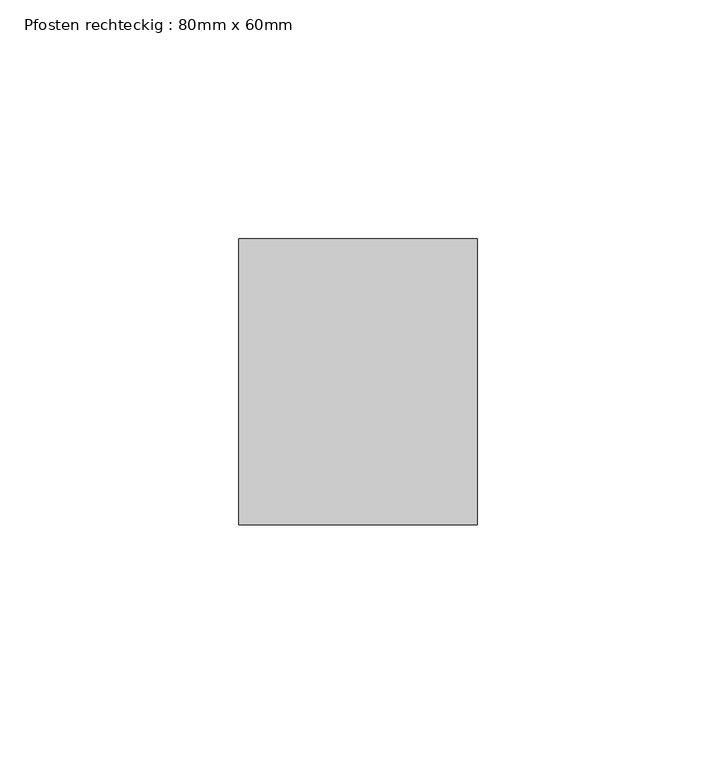
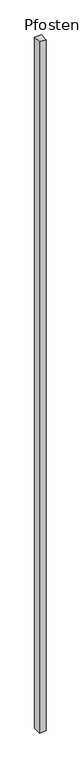
"""IFC4 building model written with IfcOpenShell, lengths in millimetres: member geometry, Pfosten rechteckig : 80mm x 60mm."""

import ifcopenshell
import ifcopenshell.guid

model = None  # the IFC model being written
_history = None  # IfcOwnerHistory: only IFC2X3 demands one
_inside = {}  # id of a spatial element -> (the spatial element, [elements in it])
_under = {}  # id of a project, library or spatial element -> (it, [spatial elements below it])
_declared = {}  # id of a project -> (the project, [libraries it declares])
_typed = {}  # id of a type object -> (the type object, [elements of that type])
_made_of = {}  # id of a material, layer set ... -> (it, [elements and type objects made of it])


def new_model(schema):
    """Start an empty IFC model of exactly this schema.

    Asked for "IFC4X3", IfcOpenShell would pick the latest addendum, in which some entities
    have other attributes; the version numbers below select the first issue.
    IFC2X3 requires an IfcOwnerHistory on every rooted entity: one is made here for all.
    """
    global model, _history
    if schema == "IFC4X3":
        model = ifcopenshell.file(schema_version=(4, 3, 0, 0))
    else:
        model = ifcopenshell.file(schema=schema)
    _inside.clear()
    _under.clear()
    _declared.clear()
    _typed.clear()
    _made_of.clear()
    _history = None
    if model.schema == "IFC2X3":
        org = make("IfcOrganization", Name="unknown")
        user = make(
            "IfcPersonAndOrganization",
            ThePerson=make("IfcPerson", FamilyName="unknown"),
            TheOrganization=org,
        )
        app = make(
            "IfcApplication",
            ApplicationDeveloper=org,
            Version="unknown",
            ApplicationFullName="unknown",
            ApplicationIdentifier="unknown",
        )
        _history = make(
            "IfcOwnerHistory",
            OwningUser=user,
            OwningApplication=app,
            ChangeAction="ADDED",
            CreationDate=0,
        )
    return model


def make(cls, **values):
    """One entity of the class cls with the attributes given. An attribute that is None is left unset."""
    return model.create_entity(
        cls, **{name: value for name, value in values.items() if value is not None}
    )


def rooted(cls, **values):
    """An entity with a GlobalId (a new one), such as an element, a storey or a relation."""
    return make(cls, GlobalId=ifcopenshell.guid.new(), OwnerHistory=_history, **values)


def si_unit(unit_type, name, prefix=None):
    """IfcSIUnit, for example si_unit("LENGTHUNIT", "METRE", prefix="MILLI")."""
    return make("IfcSIUnit", UnitType=unit_type, Prefix=prefix, Name=name)


def assignment(units):
    """IfcUnitAssignment: the units of a project."""
    return None if units is None else make("IfcUnitAssignment", Units=units)


def point(xyz):
    """IfcCartesianPoint."""
    return None if xyz is None else make("IfcCartesianPoint", Coordinates=xyz)


def direction(xyz):
    """IfcDirection."""
    return None if xyz is None else make("IfcDirection", DirectionRatios=xyz)


def frame(location, z_axis=None, x_axis=None):
    """IfcAxis2Placement3D, a coordinate frame: its origin and axes. An axis left out is left unset."""
    return make(
        "IfcAxis2Placement3D",
        Location=point(location),
        Axis=direction(z_axis),
        RefDirection=direction(x_axis),
    )


def origin():
    """The frame at (0, 0, 0) with its axes left unset."""
    return frame((0.0, 0.0, 0.0))


def place(relative_to, where):
    """IfcLocalPlacement: puts the frame where relative to a parent placement (None: the world)."""
    return make(
        "IfcLocalPlacement", PlacementRelTo=relative_to, RelativePlacement=where
    )


def context(
    kind, dimensions, precision=None, world=None, true_north=None, identifier=None
):
    """IfcGeometricRepresentationContext, for example the 3D "Model" context."""
    return make(
        "IfcGeometricRepresentationContext",
        ContextIdentifier=identifier,
        ContextType=kind,
        CoordinateSpaceDimension=dimensions,
        Precision=precision,
        WorldCoordinateSystem=world,
        TrueNorth=true_north,
    )


def project(units=None, contexts=None):
    """IfcProject with its units and contexts."""
    return rooted(
        "IfcProject",
        Name="project",
        RepresentationContexts=contexts,
        UnitsInContext=assignment(units),
    )


def spatial(cls, under=None, at=None, **own):
    """A site, building, storey or space (cls), placed at a placement, below another one or the project."""
    s = rooted(cls, ObjectPlacement=at, **own)
    if under is not None:
        _under.setdefault(under.id(), (under, []))[1].append(s)
    return s


def polyline(points):
    """IfcPolyline through the points."""
    return make("IfcPolyline", Points=[point(p) for p in points])


def outline(outer, holes=None, kind="AREA"):
    """IfcArbitraryClosedProfileDef: a profile drawn as a closed curve; with holes, ...WithVoids."""
    if holes is None:
        return make("IfcArbitraryClosedProfileDef", ProfileType=kind, OuterCurve=outer)
    return make(
        "IfcArbitraryProfileDefWithVoids",
        ProfileType=kind,
        OuterCurve=outer,
        InnerCurves=holes,
    )


def extrude(swept, where, along, depth):
    """IfcExtrudedAreaSolid: the profile swept, set in the frame where, extruded along a direction by depth."""
    return make(
        "IfcExtrudedAreaSolid",
        SweptArea=swept,
        Position=where,
        ExtrudedDirection=direction(along),
        Depth=depth,
    )


def shape(context_of_items, identifier, shape_type, items):
    """IfcShapeRepresentation: the items that make up one representation, for example the "Body"."""
    return make(
        "IfcShapeRepresentation",
        ContextOfItems=context_of_items,
        RepresentationIdentifier=identifier,
        RepresentationType=shape_type,
        Items=items,
    )


def source(mapping_origin, context_of_items, identifier, shape_type, items):
    """IfcRepresentationMap: a shape defined once, which mapped items show again and again."""
    return make(
        "IfcRepresentationMap",
        MappingOrigin=mapping_origin,
        MappedRepresentation=shape(context_of_items, identifier, shape_type, items),
    )


def transform(
    local_origin,
    x_axis=None,
    y_axis=None,
    z_axis=None,
    scale=None,
    scale2=None,
    scale3=None,
    uniform=True,
):
    """IfcCartesianTransformationOperator3D, or its non-uniform kind. x_axis, y_axis, z_axis: its Axis1, 2, 3."""
    if uniform:
        return make(
            "IfcCartesianTransformationOperator3D",
            Axis1=direction(x_axis),
            Axis2=direction(y_axis),
            LocalOrigin=point(local_origin),
            Scale=scale,
            Axis3=direction(z_axis),
        )
    return make(
        "IfcCartesianTransformationOperator3DnonUniform",
        Axis1=direction(x_axis),
        Axis2=direction(y_axis),
        LocalOrigin=point(local_origin),
        Scale=scale,
        Axis3=direction(z_axis),
        Scale2=scale2,
        Scale3=scale3,
    )


def mapped(mapping_source, mapping_target):
    """IfcMappedItem: shows the shape of a source again, moved by a transform."""
    return make(
        "IfcMappedItem", MappingSource=mapping_source, MappingTarget=mapping_target
    )


def made_of(thing, what):
    """Note that an element or type object is made of a material, layer set ...; save() writes the relation."""
    if what is not None:
        _made_of.setdefault(what.id(), (what, []))[1].append(thing)
    return thing


def element(
    cls,
    number,
    at=None,
    inside=None,
    cuts=None,
    type_object=None,
    material=None,
    context=None,
    identifier="Body",
    shape_type=None,
    held_by="IfcProductDefinitionShape",
    body=None,
    shapes=None,
    **own,
):
    """One element of the class cls, such as IfcWall. Its Tag is "e" and its number.

    at: its placement. inside: the storey or other place that contains it. cuts: it is an
    opening in that element (IfcRelVoidsElement). A single representation is given by context,
    identifier, shape_type and body (its items); several are given by shapes. held_by: the class
    of the entity that holds the representations. save() writes the other relations.
    """
    e = rooted(cls, Tag="e%d" % number, ObjectPlacement=at, **own)
    if body is not None:
        shapes = [shape(context, identifier, shape_type, body)]
    if shapes is not None:
        e.Representation = make(held_by, Representations=shapes)
    if inside is not None:
        _inside.setdefault(inside.id(), (inside, []))[1].append(e)
    if cuts is not None:
        rooted(
            "IfcRelVoidsElement", RelatingBuildingElement=cuts, RelatedOpeningElement=e
        )
    if type_object is not None:
        _typed.setdefault(type_object.id(), (type_object, []))[1].append(e)
    return made_of(e, material)


def aggregate(whole, parts):
    """IfcRelAggregates: a whole, such as a stair, and the parts it consists of."""
    return rooted("IfcRelAggregates", RelatingObject=whole, RelatedObjects=parts)


def save(model, path):
    """Write the relations noted so far, then the file.

    IfcRelAggregates (storeys below a building ...), IfcRelContainedInSpatialStructure (elements
    in a storey), IfcRelDefinesByType, IfcRelAssociatesMaterial and IfcRelDeclares: one each for
    every whole, place, type object, material and project.
    """
    for whole, parts in _under.values():
        aggregate(whole, parts)
    for where, things in _inside.values():
        rooted(
            "IfcRelContainedInSpatialStructure",
            RelatedElements=things,
            RelatingStructure=where,
        )
    for kind, things in _typed.values():
        rooted("IfcRelDefinesByType", RelatedObjects=things, RelatingType=kind)
    for what, things in _made_of.values():
        rooted("IfcRelAssociatesMaterial", RelatedObjects=things, RelatingMaterial=what)
    for by, libraries in _declared.values():
        rooted("IfcRelDeclares", RelatingContext=by, RelatedDefinitions=libraries)
    model.write(path)


def pfosten_rechteckig_80mm_x_60mm_6ee4c497(model_context):
    return source(origin(), model_context, "Body", "SweptSolid", [
        extrude(outline(polyline([(0.0, 30.0), (0.0, -30.0), (-50.0, -30.0), (-50.0, 30.0), (0.0, 30.0)])), frame((0.0, 0.0, -5350.0), z_axis=(0.0, 0.0, 1.0), x_axis=(1.0, 0.0, 0.0)), (0.0, 0.0, 1.0), 5350.0),
    ])


if __name__ == "__main__":
    model = new_model("IFC4")
    model_context = context("Model", 3, world=origin())
    ifc_project = project(units=[si_unit("LENGTHUNIT", "METRE", prefix="MILLI")], contexts=[model_context])
    site = spatial("IfcSite", under=ifc_project)
    building = spatial("IfcBuilding", under=site)
    placement = place(None, origin())
    pfosten_rechteckig_80mm_x_60mm_shape = pfosten_rechteckig_80mm_x_60mm_6ee4c497(model_context)
    element("IfcMember", 1, ObjectType="Pfosten rechteckig : 80mm x 60mm", at=placement, inside=building, context=model_context, shape_type="MappedRepresentation", body=[
        mapped(pfosten_rechteckig_80mm_x_60mm_shape, transform((0.0, 0.0, 0.0), x_axis=(1.0, 0.0, 0.0), y_axis=(0.0, 1.0, 0.0), z_axis=(0.0, 0.0, 1.0))),
    ])
    save(model, "model.ifc")
